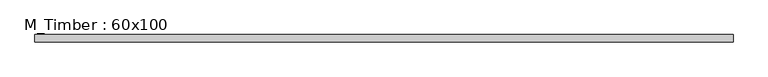
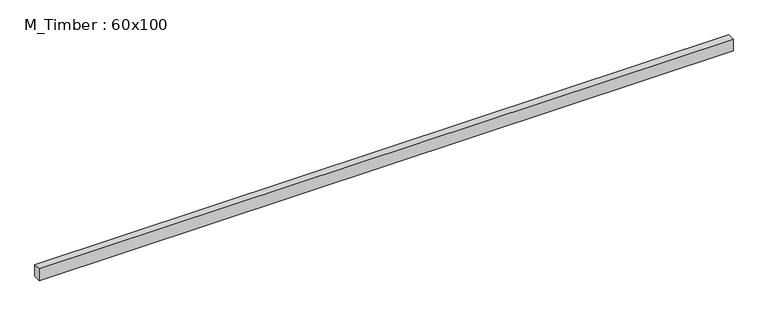
"""IFC4 building model written with IfcOpenShell, lengths in millimetres: beam geometry, M_Timber : 60x100."""

from ifc_helpers import new_model, si_unit, frame, origin, place, context, project, spatial, polyline, outline, extrude, source, transform, mapped, element, save


def m_timber_60x100_5be53631(model_context):
    return source(origin(), model_context, "Body", "SweptSolid", [
        extrude(outline(polyline([(2695.9107555, 30.0), (2695.9107555, -30.0), (-2889.2454358, -30.0), (-2889.2454358, 30.0), (2695.9107555, 30.0)])), frame((0.0, 0.0, -50.0), z_axis=(0.0, 0.0, 1.0), x_axis=(1.0, 0.0, 0.0)), (0.0, 0.0, 1.0), 100.0),
    ])


if __name__ == "__main__":
    model = new_model("IFC4")
    model_context = context("Model", 3, world=origin())
    ifc_project = project(units=[si_unit("LENGTHUNIT", "METRE", prefix="MILLI")], contexts=[model_context])
    site = spatial("IfcSite", under=ifc_project)
    building = spatial("IfcBuilding", under=site)
    placement = place(None, origin())
    m_timber_60x100_shape = m_timber_60x100_5be53631(model_context)
    element("IfcBeam", 1, ObjectType="M_Timber : 60x100", at=placement, inside=building, context=model_context, shape_type="MappedRepresentation", body=[
        mapped(m_timber_60x100_shape, transform((0.0, 0.0, 0.0), x_axis=(1.0, 0.0, 0.0), y_axis=(0.0, 1.0, 0.0), z_axis=(0.0, 0.0, 1.0))),
    ])
    save(model, "model.ifc")
